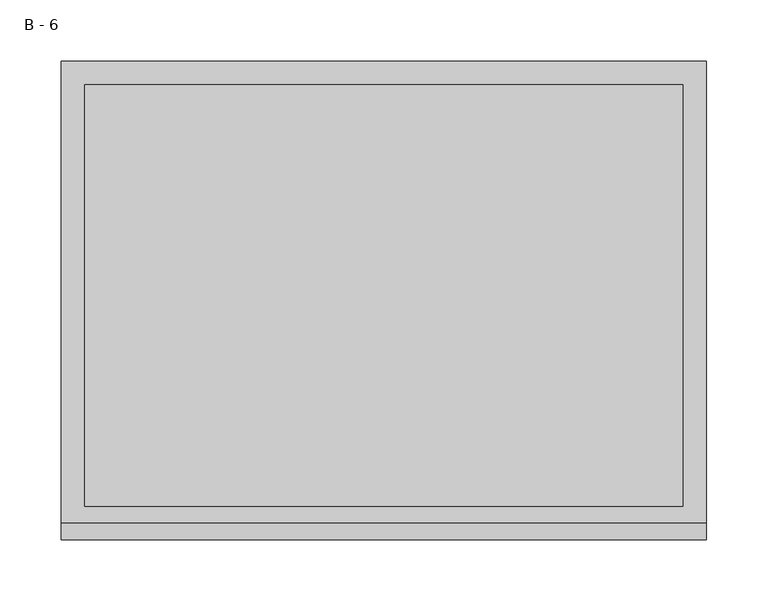
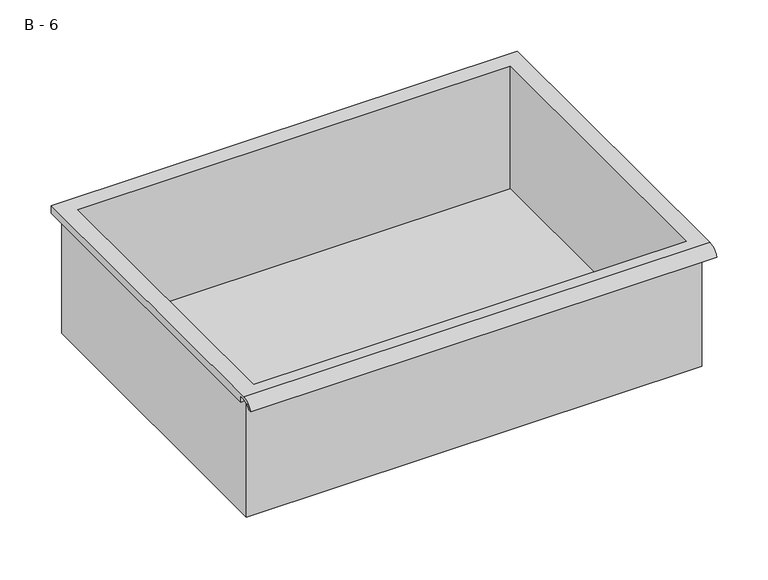
"""IFC4 building model written with IfcOpenShell, lengths in millimetres: furniture geometry, B - 6."""

from ifc_helpers import new_model, si_unit, frame, origin, place, context, project, spatial, polyline, circle_curve, source, transform, mapped, element, save
from ifc_brep_helpers import plane_surface, cylinder_surface, revolved_surface, advanced_brep


def b_6_b16291a6(model_context):
    return source(origin(), model_context, "Body", "AdvancedBrep", [
        advanced_brep(
        [(-257.1076517, -176.2125, 520.6111), (257.2423483, -176.2125, 520.6111), (257.2423483, -176.2125, 660.3111), (263.5923483, -176.2125, 660.3111), (263.5923483, -176.2125, 666.6182341), (-263.4576517, -176.2125, 666.6182341), (-263.4576517, -176.2125, 660.3111), (-257.1076517, -176.2125, 660.3111), (257.2423483, 185.7375, 520.6111), (-257.1076517, 185.7375, 520.6111), (-257.1076517, 185.7375, 660.3111), (257.2423483, 185.7375, 660.3111), (263.5923483, -181.6070544, 669.8361), (263.5923483, 195.2625, 669.8361), (-263.4576517, 195.2625, 669.8361), (-263.4576517, -181.6070544, 669.8361), (244.5423483, -168.275, 669.8361), (-244.4076517, -168.275, 669.8361), (-244.4076517, 176.2125, 669.8361), (244.5423483, 176.2125, 669.8361), (263.5923483, -195.2625, 660.3111), (263.5923483, -191.8280601, 660.3111), (263.5923483, -180.4714815, 666.6182341), (263.5923483, 195.2625, 660.3111), (-263.4576517, 195.2625, 660.3111), (-263.4576517, -180.4714815, 666.6182341), (-263.4576517, -191.8280601, 660.3111), (-263.4576517, -195.2625, 660.3111), (-244.4076517, -168.275, 523.6372719), (244.5423483, -168.275, 523.6372719), (244.5423483, 176.2125, 523.6372719), (-244.4076517, 176.2125, 523.6372719)],
        [
            (0, 1),
            (1, 2),
            (2, 3),
            (3, 4),
            (4, 5),
            (5, 6),
            (6, 7),
            (7, 0),
            (8, 9),
            (9, 10),
            (10, 11),
            (11, 8),
            (0, 9),
            (8, 1),
            (11, 2),
            (12, 13),
            (13, 14),
            (14, 15),
            (15, 12),
            (16, 17),
            (17, 18),
            (18, 19),
            (19, 16),
            (7, 10),
            (12, 20, circle_curve(frame((263.5923483, -181.6070544, 655.2850859), z_axis=(1.0, 0.0, 0.0), x_axis=(0.0, 1.0, 0.0)), 14.5510141)),
            (20, 21),
            (21, 22, circle_curve(frame((263.5923483, -181.6070544, 655.2850859), z_axis=(-1.0, 0.0, 0.0), x_axis=(0.0, 1.0, 0.0)), 11.3898979)),
            (22, 4),
            (3, 23),
            (23, 13),
            (14, 24),
            (24, 6),
            (5, 25),
            (25, 26, circle_curve(frame((-263.4576517, -181.6070544, 655.2850859), z_axis=(1.0, 0.0, 0.0), x_axis=(0.0, 1.0, 0.0)), 11.3898979)),
            (26, 27),
            (27, 15, circle_curve(frame((-263.4576517, -181.6070544, 655.2850859), z_axis=(-1.0, 0.0, 0.0), x_axis=(0.0, 1.0, 0.0)), 14.5510141)),
            (27, 20),
            (26, 21),
            (25, 22),
            (24, 23),
            (28, 29),
            (29, 30),
            (30, 31),
            (31, 28),
            (28, 17),
            (16, 29),
            (19, 30),
            (18, 31),
        ],
        [
            plane_surface(frame((257.2423483, -176.2125, 520.6111), z_axis=(0.0, -1.0, 0.0), x_axis=(1.0, 0.0, 0.0))),
            plane_surface(frame((257.2423483, 185.7375, 520.6111), z_axis=(0.0, 1.0, 0.0), x_axis=(-1.0, 0.0, 0.0))),
            plane_surface(frame((-257.1076517, -176.2125, 520.6111), z_axis=(0.0, 0.0, -1.0), x_axis=(0.0, 1.0, 0.0))),
            plane_surface(frame((257.2423483, -176.2125, 520.6111), z_axis=(1.0, 0.0, 0.0), x_axis=(0.0, 1.0, 0.0))),
            plane_surface(frame((257.2423483, -176.2125, 669.8361), z_axis=(0.0, 0.0, 1.0), x_axis=(0.0, 1.0, 0.0))),
            plane_surface(frame((-257.1076517, -176.2125, 669.8361), z_axis=(-1.0, 0.0, 0.0), x_axis=(0.0, 1.0, 0.0))),
            plane_surface(frame((263.5923483, 195.2625, 669.8361), z_axis=(1.0, 0.0, 0.0), x_axis=(0.0, -1.0, 0.0))),
            plane_surface(frame((-263.4576517, 195.2625, 669.8361), z_axis=(-1.0, 0.0, 0.0), x_axis=(0.0, 1.0, 0.0))),
            cylinder_surface(frame((-263.4576517, -181.6070544, 655.2850859), z_axis=(1.0, 0.0, 0.0), x_axis=(0.0, 1.0, 0.0)), 14.5510141),
            plane_surface(frame((263.5923483, -195.2625, 660.3111), z_axis=(0.0, -7.33064532340671e-12, -1.0), x_axis=(-1.0, 0.0, 0.0))),
            revolved_surface(polyline([(-263.4576517, -170.21715650000002, 655.2850859), (263.59234829999997, -170.21715650000002, 655.2850859)]), (-263.4576517, -181.6070544, 655.2850859), (-1.0, 0.0, 0.0)),
            plane_surface(frame((263.5923483, -180.4714815, 666.6182341), z_axis=(0.0, -1.814744708335596e-11, -1.0), x_axis=(-1.0, 0.0, 0.0))),
            plane_surface(frame((263.5923483, -176.2125, 660.3111), z_axis=(0.0, 0.0, -1.0), x_axis=(-1.0, 0.0, 0.0))),
            plane_surface(frame((263.5923483, 195.2625, 660.3111), z_axis=(0.0, 1.0, 0.0), x_axis=(-1.0, 0.0, 0.0))),
            plane_surface(frame((244.5423483, -168.275, 523.6372719), z_axis=(0.0, 0.0, 1.0), x_axis=(-1.0, 0.0, 0.0))),
            plane_surface(frame((-244.4076517, -168.275, 669.8361), z_axis=(0.0, 1.0, 0.0), x_axis=(0.0, 0.0, -1.0))),
            plane_surface(frame((244.5423483, -168.275, 669.8361), z_axis=(-1.0, 0.0, 0.0), x_axis=(0.0, 0.0, -1.0))),
            plane_surface(frame((244.5423483, 176.2125, 669.8361), z_axis=(0.0, -1.0, 0.0), x_axis=(0.0, 0.0, -1.0))),
            plane_surface(frame((-244.4076517, 176.2125, 669.8361), z_axis=(1.0, 0.0, 0.0), x_axis=(0.0, 0.0, -1.0))),
        ],
        [
            (0, [[1, 2, 3, 4, 5, 6, 7, 8]]),
            (1, [[9, 10, 11, 12]]),
            (2, [[-1, 13, -9, 14]]),
            (3, [[-14, -12, 15, -2]]),
            (4, [[16, 17, 18, 19], [20, 21, 22, 23]]),
            (5, [[-13, -8, 24, -10]]),
            (6, [[-16, 25, 26, 27, 28, -4, 29, 30]]),
            (7, [[31, 32, -6, 33, 34, 35, 36, -18]]),
            (8, [[-25, -19, -36, 37]]),
            (9, [[-26, -37, -35, 38]]),
            (10, [[-27, -38, -34, 39]]),
            (11, [[-28, -39, -33, -5]]),
            (12, [[-29, -3, -15, -11, -24, -7, -32, 40]]),
            (13, [[-30, -40, -31, -17]]),
            (14, [[41, 42, 43, 44]]),
            (15, [[-41, 45, -20, 46]]),
            (16, [[-42, -46, -23, 47]]),
            (17, [[-43, -47, -22, 48]]),
            (18, [[-44, -48, -21, -45]]),
        ],
    ),
    ])


if __name__ == "__main__":
    model = new_model("IFC4")
    model_context = context("Model", 3, world=origin())
    ifc_project = project(units=[si_unit("LENGTHUNIT", "METRE", prefix="MILLI")], contexts=[model_context])
    site = spatial("IfcSite", under=ifc_project)
    building = spatial("IfcBuilding", under=site)
    placement = place(None, origin())
    b_6_shape = b_6_b16291a6(model_context)
    element("IfcFurniture", 1, ObjectType="B - 6", at=placement, inside=building, context=model_context, shape_type="MappedRepresentation", body=[
        mapped(b_6_shape, transform((0.0, 0.0, 0.0), x_axis=(1.0, 0.0, 0.0), y_axis=(0.0, 1.0, 0.0), z_axis=(0.0, 0.0, 1.0))),
    ])
    save(model, "model.ifc")
